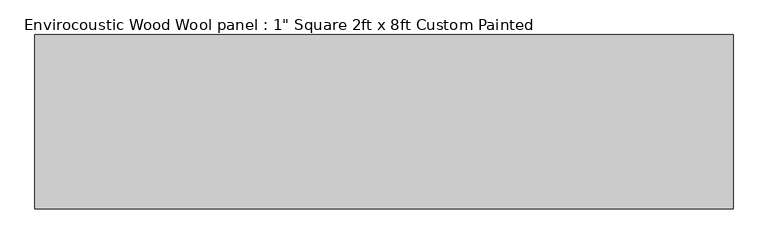
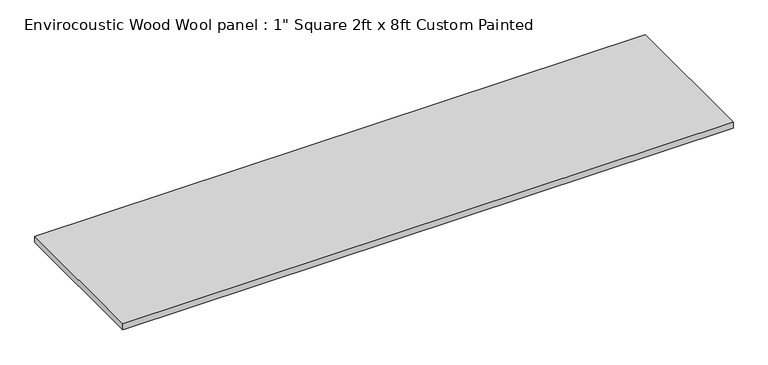
"""IFC4 building model written with IfcOpenShell, lengths in millimetres: proxy geometry."""

from ifc_helpers import new_model, si_unit, origin, origin_with_axes, place, context, project, spatial, polyline, outline, extrude, source, transform, mapped, element, save


def proxy_6d754d6f(model_context):
    return source(origin(), model_context, "Body", "SweptSolid", [
        extrude(outline(polyline([(-1219.2, 304.8), (1219.2, 304.8), (1219.2, -304.8), (-1219.2, -304.8), (-1219.2, 304.8)])), origin_with_axes(), (0.0, 0.0, 1.0), 25.4),
    ])


if __name__ == "__main__":
    model = new_model("IFC4")
    model_context = context("Model", 3, world=origin())
    ifc_project = project(units=[si_unit("LENGTHUNIT", "METRE", prefix="MILLI")], contexts=[model_context])
    site = spatial("IfcSite", under=ifc_project)
    building = spatial("IfcBuilding", under=site)
    placement = place(None, origin())
    proxy_shape = proxy_6d754d6f(model_context)
    element("IfcBuildingElementProxy", 1, Name="Envirocoustic Wood Wool panel : 1\" Square 2ft x 8ft Custom Painted", ObjectType="Envirocoustic Wood Wool panel : 1\" Square 2ft x 8ft Custom Painted", at=placement, inside=building, context=model_context, shape_type="MappedRepresentation", body=[
        mapped(proxy_shape, transform((0.0, 0.0, 0.0), x_axis=(1.0, 0.0, 0.0), y_axis=(0.0, 1.0, 0.0), z_axis=(0.0, 0.0, 1.0))),
    ])
    save(model, "model.ifc")
